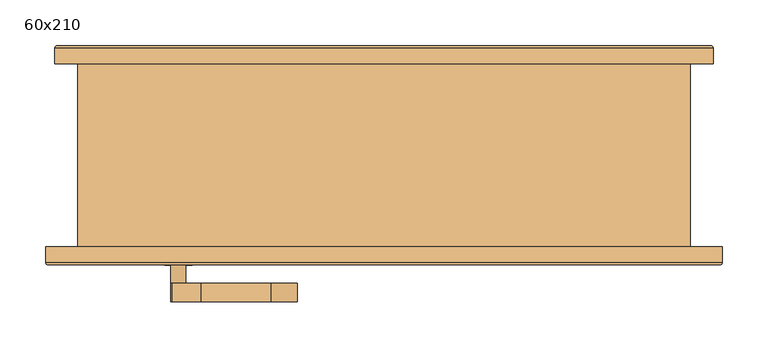
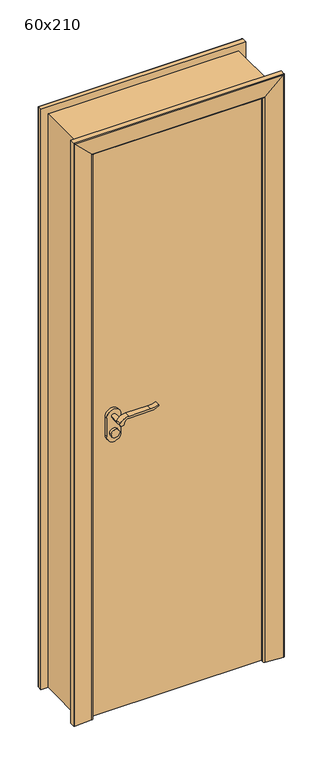
"""IFC4 building model written with IfcOpenShell, lengths in millimetres: door geometry, 60x210."""

from ifc_helpers import new_model, si_unit, point, frame, frame_2d, origin, origin_with_axes, place, context, project, spatial, polyline, circle_curve, ellipse_curve, trimmed, segment, composite_curve, outline, extrude, faceted_brep, source, transform, mapped, element, save
from ifc_brep_helpers import plane_surface, cylinder_surface, advanced_brep


def door_60x210_e5a27e6e(model_context):
    return source(origin(), model_context, "Body", "SolidModel", [
        extrude(outline(composite_curve([segment(trimmed(circle_curve(frame_2d((1040.0, -225.0)), 15.0), [point((1040.0, -210.0))], [point((1040.0, -240.0))], False, "CARTESIAN"), True, "CONTINUOUS"), segment(trimmed(circle_curve(frame_2d((1040.0, -225.0)), 15.0), [point((1040.0, -240.0))], [point((1040.0, -210.0))], False, "CARTESIAN"), True, "CONTINUOUS")], self_intersect=False)), frame((0.0, -55.0, 0.0), z_axis=(0.0, 1.0, 0.0), x_axis=(0.0, 0.0, 1.0)), (0.0, 0.0, 1.0), 10.0),
        extrude(outline(composite_curve([segment(trimmed(circle_curve(frame_2d((1040.0, -225.0)), 15.0), [point((1040.0, -210.0))], [point((1040.0, -240.0))], False, "CARTESIAN"), True, "CONTINUOUS"), segment(trimmed(circle_curve(frame_2d((1040.0, -225.0)), 15.0), [point((1040.0, -240.0))], [point((1040.0, -210.0))], False, "CARTESIAN"), True, "CONTINUOUS")], self_intersect=False)), frame((0.0, -120.0, 0.0), z_axis=(0.0, 1.0, 0.0), x_axis=(0.0, 0.0, 1.0)), (0.0, 0.0, 1.0), 10.0),
        extrude(outline(composite_curve([segment(trimmed(circle_curve(frame_2d((1100.0, -225.0)), 8.0), [point((1104.6523287, -231.5081363))], [point((1100.0, -217.0))], False, "CARTESIAN"), True, "CONTINUOUS"), segment(trimmed(circle_curve(frame_2d((1094.8738613, -199.6138099)), 18.1261387), [point((1100.0, -217.0))], [point((1113.0, -199.6138099))], True, "CARTESIAN"), True, "CONTINUOUS"), segment(polyline([(1113.0, -199.6138099), (1113.0, -123.3564091)]), True, "CONTINUOUS"), segment(trimmed(circle_curve(frame_2d((1172.2709207, -126.9396612)), 59.3791355), [point((1113.0, -123.3564091))], [point((1122.2135558, -95.0))], False, "CARTESIAN"), True, "CONTINUOUS"), segment(polyline([(1122.2135558, -95.0), (1125.0, -95.0)]), True, "CONTINUOUS"), segment(trimmed(circle_curve(frame_2d((1203.2850638, -123.4227909)), 83.2850902), [point((1125.0, -95.0))], [point((1120.0, -123.3564091))], True, "CARTESIAN"), True, "CONTINUOUS"), segment(polyline([(1120.0, -123.3564091), (1120.0, -199.6325667)]), True, "CONTINUOUS"), segment(trimmed(circle_curve(frame_2d((1082.7555521, -201.3324871)), 37.2832219), [point((1120.0, -199.6325667))], [point((1104.6523287, -231.5081363))], False, "CARTESIAN"), True, "CONTINUOUS")], self_intersect=False)), frame((0.0, -25.0, 0.0), z_axis=(0.0, 1.0, 0.0), x_axis=(0.0, 0.0, 1.0)), (0.0, 0.0, 1.0), 20.0),
        extrude(outline(composite_curve([segment(trimmed(circle_curve(frame_2d((1094.8738682, -199.6138122)), 18.1261318), [point((1099.9999903, -217.0))], [point((1113.0, -199.6138122))], True, "CARTESIAN"), True, "CONTINUOUS"), segment(polyline([(1113.0, -199.6138122), (1113.0, -123.3564091)]), True, "CONTINUOUS"), segment(trimmed(circle_curve(frame_2d((1172.2709207, -126.9396612)), 59.3791355), [point((1113.0, -123.3564091))], [point((1122.2135558, -95.0))], False, "CARTESIAN"), True, "CONTINUOUS"), segment(polyline([(1122.2135558, -95.0), (1125.0, -95.0)]), True, "CONTINUOUS"), segment(trimmed(circle_curve(frame_2d((1203.2850638, -123.4227909)), 83.2850902), [point((1125.0, -95.0))], [point((1120.0, -123.3564091))], True, "CARTESIAN"), True, "CONTINUOUS"), segment(polyline([(1120.0, -123.3564091), (1120.0, -199.6325667)]), True, "CONTINUOUS"), segment(trimmed(circle_curve(frame_2d((1082.7555521, -201.3324871)), 37.2832219), [point((1120.0, -199.6325667))], [point((1104.6523287, -231.5081363))], False, "CARTESIAN"), True, "CONTINUOUS"), segment(trimmed(circle_curve(frame_2d((1100.0, -225.0)), 8.0), [point((1104.6523287, -231.5081363))], [point((1099.9999903, -217.0))], False, "CARTESIAN"), True, "CONTINUOUS")], self_intersect=False)), frame((0.0, -160.0, 0.0), z_axis=(0.0, 1.0, 0.0), x_axis=(0.0, 0.0, 1.0)), (0.0, 0.0, 1.0), 20.0),
        extrude(outline(composite_curve([segment(trimmed(circle_curve(frame_2d((1100.0, -225.0)), 8.0), [point((1100.0, -217.0))], [point((1100.0, -233.0))], False, "CARTESIAN"), True, "CONTINUOUS"), segment(trimmed(circle_curve(frame_2d((1100.0, -225.0)), 8.0), [point((1100.0, -233.0))], [point((1100.0, -217.0))], False, "CARTESIAN"), True, "CONTINUOUS")], self_intersect=False)), frame((0.0, -55.0, 0.0), z_axis=(0.0, 1.0, 0.0), x_axis=(0.0, 0.0, 1.0)), (0.0, 0.0, 1.0), 30.0),
        extrude(outline(composite_curve([segment(trimmed(circle_curve(frame_2d((1100.0, -225.0)), 8.0), [point((1100.0, -217.0))], [point((1100.0, -233.0))], False, "CARTESIAN"), True, "CONTINUOUS"), segment(trimmed(circle_curve(frame_2d((1100.0, -225.0)), 8.0), [point((1100.0, -233.0))], [point((1100.0, -217.0))], False, "CARTESIAN"), True, "CONTINUOUS")], self_intersect=False)), frame((0.0, -140.0, 0.0), z_axis=(0.0, 1.0, 0.0), x_axis=(0.0, 0.0, 1.0)), (0.0, 0.0, 1.0), 30.0),
        extrude(outline(composite_curve([segment(trimmed(circle_curve(frame_2d((1030.0, -225.0)), 25.0), [point((1030.0, -250.0))], [point((1030.0, -200.0))], False, "CARTESIAN"), True, "CONTINUOUS"), segment(polyline([(1030.0, -200.0), (1100.0, -200.0)]), True, "CONTINUOUS"), segment(trimmed(circle_curve(frame_2d((1100.0, -225.0)), 25.0), [point((1100.0, -200.0))], [point((1100.0, -250.0))], False, "CARTESIAN"), True, "CONTINUOUS"), segment(polyline([(1100.0, -250.0), (1030.0, -250.0)]), True, "CONTINUOUS")], self_intersect=False)), frame((0.0, -65.0, 0.0), z_axis=(0.0, 1.0, 0.0), x_axis=(0.0, 0.0, 1.0)), (0.0, 0.0, 1.0), 10.0),
        extrude(outline(composite_curve([segment(trimmed(circle_curve(frame_2d((1030.0, -225.0)), 25.0), [point((1030.0, -250.0))], [point((1030.0, -200.0))], False, "CARTESIAN"), True, "CONTINUOUS"), segment(polyline([(1030.0, -200.0), (1100.0, -200.0)]), True, "CONTINUOUS"), segment(trimmed(circle_curve(frame_2d((1100.0, -225.0)), 25.0), [point((1100.0, -200.0))], [point((1100.0, -250.0))], False, "CARTESIAN"), True, "CONTINUOUS"), segment(polyline([(1100.0, -250.0), (1030.0, -250.0)]), True, "CONTINUOUS")], self_intersect=False)), frame((0.0, -110.0, 0.0), z_axis=(0.0, 1.0, 0.0), x_axis=(0.0, 0.0, 1.0)), (0.0, 0.0, 1.0), 10.0),
        extrude(outline(polyline([(300.0, -65.0), (300.0, -100.0), (-300.0, -100.0), (-300.0, -65.0), (300.0, -65.0)])), origin_with_axes(), (0.0, 0.0, 1.0), 2100.0),
        advanced_brep(
        [(360.0, 100.0, 0.0), (290.0, 100.0, 0.0), (290.0, 110.0, 0.0), (295.0, 115.0, 0.0), (357.3082588, 119.792943, 0.0), (360.0, 117.3003068, 0.0), (360.0, 100.0, 2160.0), (-360.0, 100.0, 2160.0), (-360.0, 100.0, 0.0), (-290.0, 100.0, 0.0), (-290.0, 100.0, 2090.0), (290.0, 100.0, 2090.0), (290.0, 110.0, 2090.0), (295.0, 115.0, 2095.0), (357.3082588, 119.792943, 2157.3082588), (360.0, 117.3003068, 2160.0), (-360.0, 117.3003068, 2160.0), (-360.0, 117.3003068, 0.0), (-357.3082588, 119.792943, 0.0), (-295.0, 115.0, 0.0), (-290.0, 110.0, 0.0), (-290.0, 110.0, 2090.0), (-357.3082588, 119.792943, 2157.3082588), (-295.0, 115.0, 2095.0)],
        [
            (0, 1),
            (1, 2),
            (2, 3, circle_curve(frame((295.0, 110.0, 0.0), z_axis=(0.0, 0.0, -1.0), x_axis=(0.0, 1.0, 0.0)), 5.0)),
            (3, 4),
            (4, 5, circle_curve(frame((357.5, 117.3003068, 0.0), z_axis=(0.0, 0.0, -1.0), x_axis=(0.0, 1.0, 0.0)), 2.5)),
            (5, 0),
            (0, 6),
            (6, 7),
            (7, 8),
            (8, 9),
            (9, 10),
            (10, 11),
            (11, 1),
            (11, 12),
            (12, 2),
            (12, 13, ellipse_curve(frame((295.0, 110.0, 2095.0), z_axis=(0.7071067811865475, 0.0, -0.7071067811865475), x_axis=(-0.7071067811865474, 0.0, -0.7071067811865477)), 7.0710678, 5.0)),
            (13, 3),
            (13, 14),
            (14, 4),
            (14, 15, ellipse_curve(frame((357.5, 117.3003068, 2157.5), z_axis=(0.7071067811865475, 0.0, -0.7071067811865475), x_axis=(-0.7071067811865474, 0.0, -0.7071067811865477)), 3.5355339, 2.5)),
            (15, 5),
            (15, 6),
            (7, 16),
            (16, 17),
            (17, 8),
            (17, 18, circle_curve(frame((-357.5, 117.3003068, 0.0), z_axis=(0.0, 0.0, -1.0), x_axis=(0.0, 1.0, 0.0)), 2.5)),
            (18, 19),
            (19, 20, circle_curve(frame((-295.0, 110.0, 0.0), z_axis=(0.0, 0.0, -1.0), x_axis=(0.0, 1.0, 0.0)), 5.0)),
            (20, 9),
            (21, 10),
            (20, 21),
            (16, 22, ellipse_curve(frame((-357.5, 117.3003068, 2157.5), z_axis=(-0.7071067811865475, 0.0, -0.7071067811865475), x_axis=(-0.7071067811865474, 0.0, 0.7071067811865477)), 3.5355339, 2.5)),
            (22, 18),
            (22, 23),
            (23, 19),
            (23, 21, ellipse_curve(frame((-295.0, 110.0, 2095.0), z_axis=(-0.7071067811865475, 0.0, -0.7071067811865475), x_axis=(-0.7071067811865474, 0.0, 0.7071067811865477)), 7.0710678, 5.0)),
            (21, 12),
            (23, 13),
            (22, 14),
            (16, 15),
        ],
        [
            plane_surface(frame((290.0, 100.0, 0.0), z_axis=(0.0, 0.0, -1.0), x_axis=(-1.0, 0.0, 0.0))),
            plane_surface(frame((360.0, 100.0, 0.0), z_axis=(0.0, -1.0, 0.0), x_axis=(0.0, 0.0, 1.0))),
            plane_surface(frame((290.0, 100.0, 0.0), z_axis=(-1.0, 0.0, 0.0), x_axis=(0.0, 0.0, 1.0))),
            cylinder_surface(frame((295.0, 110.0, 0.0), z_axis=(0.0, 0.0, -1.0), x_axis=(0.0, 1.0, 0.0)), 5.0),
            plane_surface(frame((295.0, 115.0, 0.0), z_axis=(-0.07669649888474349, 0.9970544855015812, 0.0), x_axis=(0.0, 0.0, 1.0))),
            cylinder_surface(frame((357.5, 117.3003068, 0.0), z_axis=(0.0, 0.0, -1.0), x_axis=(0.0, 1.0, 0.0)), 2.5),
            plane_surface(frame((360.0, 117.3003068, 0.0), z_axis=(1.0, 0.0, 0.0), x_axis=(0.0, 0.0, 1.0))),
            plane_surface(frame((-360.0, 117.3003068, 2160.0), z_axis=(-1.0, 0.0, 0.0), x_axis=(0.0, 0.0, -1.0))),
            plane_surface(frame((-290.0, 100.0, 0.0), z_axis=(0.0, 0.0, -1.0), x_axis=(1.0, 0.0, 0.0))),
            plane_surface(frame((-290.0, 100.0, 2090.0), z_axis=(1.0, 0.0, 0.0), x_axis=(0.0, 0.0, -1.0))),
            cylinder_surface(frame((-357.5, 117.3003068, 2090.0), z_axis=(0.0, 0.0, 1.0), x_axis=(0.0, 1.0, 0.0)), 2.5),
            plane_surface(frame((-295.0, 115.0, 2095.0), z_axis=(0.07669649888474349, 0.9970544855015812, 0.0), x_axis=(0.0, 0.0, -1.0))),
            cylinder_surface(frame((-295.0, 110.0, 2090.0), z_axis=(0.0, 0.0, 1.0), x_axis=(0.0, 1.0, 0.0)), 5.0),
            plane_surface(frame((290.0, 100.0, 2090.0), z_axis=(0.0, 0.0, -1.0), x_axis=(-1.0, 0.0, 0.0))),
            cylinder_surface(frame((290.0, 110.0, 2095.0), z_axis=(1.0, 0.0, 0.0), x_axis=(0.0, 1.0, 0.0)), 5.0),
            plane_surface(frame((295.0, 115.0, 2095.0), z_axis=(0.0, 0.9970544855015812, -0.07669649888474349), x_axis=(-1.0, 0.0, 0.0))),
            cylinder_surface(frame((290.0, 117.3003068, 2157.5), z_axis=(1.0, 0.0, 0.0), x_axis=(0.0, 1.0, 0.0)), 2.5),
            plane_surface(frame((360.0, 117.3003068, 2160.0), z_axis=(0.0, 0.0, 1.0), x_axis=(-1.0, 0.0, 0.0))),
        ],
        [
            (0, [[1, 2, 3, 4, 5, 6]]),
            (1, [[-1, 7, 8, 9, 10, 11, 12, 13]]),
            (2, [[-2, -13, 14, 15]]),
            (3, [[-3, -15, 16, 17]]),
            (4, [[-4, -17, 18, 19]]),
            (5, [[-5, -19, 20, 21]]),
            (6, [[-6, -21, 22, -7]]),
            (7, [[23, 24, 25, -9]]),
            (8, [[-25, 26, 27, 28, 29, -10]]),
            (9, [[30, -11, -29, 31]]),
            (10, [[32, 33, -26, -24]]),
            (11, [[34, 35, -27, -33]]),
            (12, [[36, -31, -28, -35]]),
            (13, [[-14, -12, -30, 37]]),
            (14, [[-16, -37, -36, 38]]),
            (15, [[-18, -38, -34, 39]]),
            (16, [[-20, -39, -32, 40]]),
            (17, [[-22, -40, -23, -8]]),
        ],
    ),
        advanced_brep(
        [(370.0, -100.0, 0.0), (370.0, -117.3003068, 0.0), (367.3082588, -119.792943, 0.0), (305.0, -115.0, 0.0), (300.0, -110.0, 0.0), (300.0, -100.0, 0.0), (370.0, -100.0, 2170.0), (370.0, -117.3003068, 2170.0), (367.3082588, -119.792943, 2167.3082588), (305.0, -115.0, 2105.0), (300.0, -110.0, 2100.0), (300.0, -100.0, 2100.0), (-300.0, -100.0, 2100.0), (-300.0, -100.0, 0.0), (-370.0, -100.0, 0.0), (-370.0, -100.0, 2170.0), (-300.0, -110.0, 2100.0), (-300.0, -110.0, 0.0), (-305.0, -115.0, 0.0), (-367.3082588, -119.792943, 0.0), (-370.0, -117.3003068, 0.0), (-370.0, -117.3003068, 2170.0), (-305.0, -115.0, 2105.0), (-367.3082588, -119.792943, 2167.3082588)],
        [
            (0, 1),
            (1, 2, circle_curve(frame((367.5, -117.3003068, 0.0), z_axis=(0.0, 0.0, -1.0), x_axis=(0.0, -1.0, 0.0)), 2.5)),
            (2, 3),
            (3, 4, circle_curve(frame((305.0, -110.0, 0.0), z_axis=(0.0, 0.0, -1.0), x_axis=(0.0, -1.0, 0.0)), 5.0)),
            (4, 5),
            (5, 0),
            (0, 6),
            (6, 7),
            (7, 1),
            (7, 8, ellipse_curve(frame((367.5, -117.3003068, 2167.5), z_axis=(0.7071067811865475, 0.0, -0.7071067811865475), x_axis=(-0.7071067811865474, 0.0, -0.7071067811865476)), 3.5355339, 2.5)),
            (8, 2),
            (8, 9),
            (9, 3),
            (9, 10, ellipse_curve(frame((305.0, -110.0, 2105.0), z_axis=(0.7071067811865475, 0.0, -0.7071067811865475), x_axis=(-0.7071067811865474, 0.0, -0.7071067811865476)), 7.0710678, 5.0)),
            (10, 4),
            (10, 11),
            (11, 5),
            (11, 12),
            (12, 13),
            (13, 14),
            (14, 15),
            (15, 6),
            (12, 16),
            (16, 17),
            (17, 13),
            (17, 18, circle_curve(frame((-305.0, -110.0, 0.0), z_axis=(0.0, 0.0, -1.0), x_axis=(0.0, -1.0, 0.0)), 5.0)),
            (18, 19),
            (19, 20, circle_curve(frame((-367.5, -117.3003068, 0.0), z_axis=(0.0, 0.0, -1.0), x_axis=(0.0, -1.0, 0.0)), 2.5)),
            (20, 14),
            (21, 15),
            (20, 21),
            (16, 22, ellipse_curve(frame((-305.0, -110.0, 2105.0), z_axis=(-0.7071067811865475, 0.0, -0.7071067811865475), x_axis=(-0.7071067811865474, 0.0, 0.7071067811865476)), 7.0710678, 5.0)),
            (22, 18),
            (22, 23),
            (23, 19),
            (23, 21, ellipse_curve(frame((-367.5, -117.3003068, 2167.5), z_axis=(-0.7071067811865475, 0.0, -0.7071067811865475), x_axis=(-0.7071067811865474, 0.0, 0.7071067811865476)), 3.5355339, 2.5)),
            (21, 7),
            (23, 8),
            (22, 9),
            (16, 10),
        ],
        [
            plane_surface(frame((300.0, -100.0, 0.0), z_axis=(0.0, 0.0, -1.0), x_axis=(-1.0, 0.0, 0.0))),
            plane_surface(frame((370.0, -100.0, 0.0), z_axis=(1.0, 0.0, 0.0), x_axis=(0.0, 0.0, 1.0))),
            cylinder_surface(frame((367.5, -117.3003068, 0.0), z_axis=(0.0, 0.0, -1.0), x_axis=(0.0, -1.0, 0.0)), 2.5),
            plane_surface(frame((367.3082588, -119.792943, 0.0), z_axis=(-0.07669649888474349, -0.9970544855015812, 0.0), x_axis=(0.0, 0.0, 1.0))),
            cylinder_surface(frame((305.0, -110.0, 0.0), z_axis=(0.0, 0.0, -1.0), x_axis=(0.0, -1.0, 0.0)), 5.0),
            plane_surface(frame((300.0, -110.0, 0.0), z_axis=(-1.0, 0.0, 0.0), x_axis=(0.0, 0.0, 1.0))),
            plane_surface(frame((300.0, -100.0, 0.0), z_axis=(0.0, 1.0, 0.0), x_axis=(0.0, 0.0, 1.0))),
            plane_surface(frame((-300.0, -110.0, 2100.0), z_axis=(1.0, 0.0, 0.0), x_axis=(0.0, 0.0, -1.0))),
            plane_surface(frame((-300.0, -100.0, 0.0), z_axis=(0.0, 0.0, -1.0), x_axis=(1.0, 0.0, 0.0))),
            plane_surface(frame((-370.0, -100.0, 2170.0), z_axis=(-1.0, 0.0, 0.0), x_axis=(0.0, 0.0, -1.0))),
            cylinder_surface(frame((-305.0, -110.0, 2100.0), z_axis=(0.0, 0.0, 1.0), x_axis=(0.0, -1.0, 0.0)), 5.0),
            plane_surface(frame((-367.3082588, -119.792943, 2167.3082588), z_axis=(0.07669649888474349, -0.9970544855015812, 0.0), x_axis=(0.0, 0.0, -1.0))),
            cylinder_surface(frame((-367.5, -117.3003068, 2100.0), z_axis=(0.0, 0.0, 1.0), x_axis=(0.0, -1.0, 0.0)), 2.5),
            plane_surface(frame((370.0, -100.0, 2170.0), z_axis=(0.0, 0.0, 1.0), x_axis=(-1.0, 0.0, 0.0))),
            cylinder_surface(frame((300.0, -117.3003068, 2167.5), z_axis=(1.0, 0.0, 0.0), x_axis=(0.0, -1.0, 0.0)), 2.5),
            plane_surface(frame((367.3082588, -119.792943, 2167.3082588), z_axis=(0.0, -0.9970544855015812, -0.07669649888474349), x_axis=(-1.0, 0.0, 0.0))),
            cylinder_surface(frame((300.0, -110.0, 2105.0), z_axis=(1.0, 0.0, 0.0), x_axis=(0.0, -1.0, 0.0)), 5.0),
            plane_surface(frame((300.0, -110.0, 2100.0), z_axis=(0.0, 0.0, -1.0), x_axis=(-1.0, 0.0, 0.0))),
        ],
        [
            (0, [[1, 2, 3, 4, 5, 6]]),
            (1, [[-1, 7, 8, 9]]),
            (2, [[-2, -9, 10, 11]]),
            (3, [[-3, -11, 12, 13]]),
            (4, [[-4, -13, 14, 15]]),
            (5, [[-5, -15, 16, 17]]),
            (6, [[-6, -17, 18, 19, 20, 21, 22, -7]]),
            (7, [[23, 24, 25, -19]]),
            (8, [[-20, -25, 26, 27, 28, 29]]),
            (9, [[30, -21, -29, 31]]),
            (10, [[32, 33, -26, -24]]),
            (11, [[34, 35, -27, -33]]),
            (12, [[36, -31, -28, -35]]),
            (13, [[-8, -22, -30, 37]]),
            (14, [[-10, -37, -36, 38]]),
            (15, [[-12, -38, -34, 39]]),
            (16, [[-14, -39, -32, 40]]),
            (17, [[-16, -40, -23, -18]]),
        ],
    ),
        faceted_brep([(290.0, 100.0, 0.0), (335.0, 100.0, 0.0), (335.0, -100.0, 0.0), (300.0, -100.0, 0.0), (300.0, -65.0, 0.0), (290.0, -65.0, 0.0), (290.0, 100.0, 2090.0), (-290.0, 100.0, 2090.0), (-290.0, 100.0, 0.0), (-335.0, 100.0, 0.0), (-335.0, 100.0, 2135.0), (335.0, 100.0, 2135.0), (335.0, -100.0, 2135.0), (-335.0, -100.0, 2135.0), (-335.0, -100.0, 0.0), (-300.0, -100.0, 0.0), (-300.0, -100.0, 2100.0), (300.0, -100.0, 2100.0), (300.0, -65.0, 2100.0), (-300.0, -65.0, 2100.0), (-300.0, -65.0, 0.0), (-290.0, -65.0, 0.0), (-290.0, -65.0, 2090.0), (290.0, -65.0, 2090.0)], [[[0, 1, 2, 3, 4, 5]], [[1, 0, 6, 7, 8, 9, 10, 11]], [[2, 1, 11, 12]], [[3, 2, 12, 13, 14, 15, 16, 17]], [[4, 3, 17, 18]], [[5, 4, 18, 19, 20, 21, 22, 23]], [[0, 5, 23, 6]], [[7, 22, 21, 8]], [[8, 21, 20, 15, 14, 9]], [[13, 10, 9, 14]], [[19, 16, 15, 20]], [[12, 11, 10, 13]], [[18, 17, 16, 19]], [[6, 23, 22, 7]]]),
    ])


if __name__ == "__main__":
    model = new_model("IFC4")
    model_context = context("Model", 3, world=origin())
    ifc_project = project(units=[si_unit("LENGTHUNIT", "METRE", prefix="MILLI")], contexts=[model_context])
    site = spatial("IfcSite", under=ifc_project)
    building = spatial("IfcBuilding", under=site)
    placement = place(None, origin())
    door_60x210_shape = door_60x210_e5a27e6e(model_context)
    element("IfcDoor", 1, ObjectType="60x210", at=placement, inside=building, context=model_context, shape_type="MappedRepresentation", body=[
        mapped(door_60x210_shape, transform((0.0, 0.0, 0.0), x_axis=(1.0, 0.0, 0.0), y_axis=(0.0, 1.0, 0.0), z_axis=(0.0, 0.0, 1.0))),
    ])
    save(model, "model.ifc")
